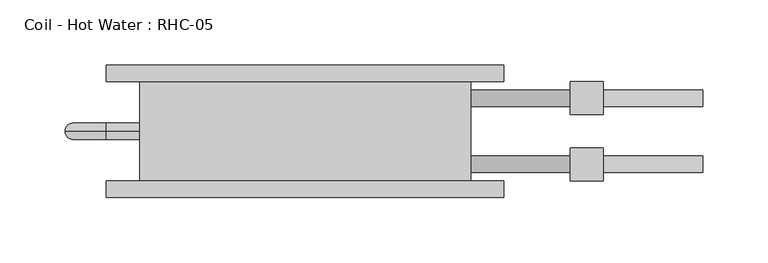
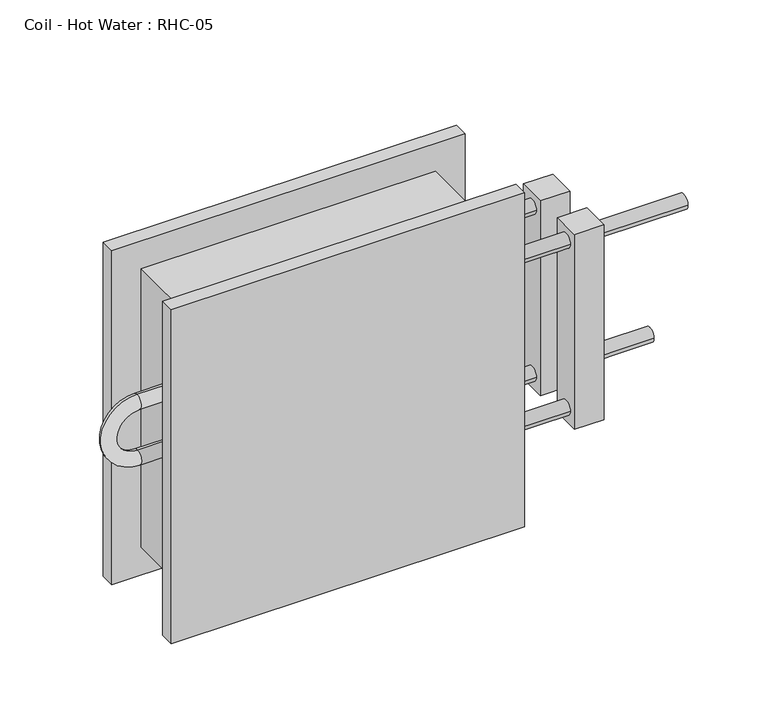
"""IFC4 building model written with IfcOpenShell, lengths in millimetres: proxy geometry, Coil - Hot Water : RHC-05."""

from ifc_helpers import new_model, si_unit, point, frame, origin, place, context, project, spatial, circle_curve, ellipse_curve, trimmed, source, transform, mapped, element, save
from ifc_brep_helpers import plane_surface, cylinder_surface, revolved_surface, advanced_brep


def coil_hot_water_rhc_05_f7ea6c1f(model_context):
    return source(origin(), model_context, "Body", "AdvancedBrep", [
        advanced_brep(
        [(-127.0, 76.2, 254.0), (-127.0, 0.0, 254.0), (127.0, 0.0, 254.0), (127.0, 76.2, 254.0), (127.0, 76.2, 0.0), (127.0, 0.0, 0.0), (-127.0, 0.0, 0.0), (-127.0, 76.2, 0.0), (-127.0, 38.1, 171.45), (-127.0, 38.1, 158.75), (-127.0, 38.1, 120.65), (-127.0, 38.1, 107.95), (127.0, 57.15, 203.2), (127.0, 69.85, 203.2), (127.0, 6.35, 50.8), (127.0, 19.05, 50.8), (127.0, 6.35, 203.2), (127.0, 19.05, 203.2), (127.0, 57.15, 50.8), (127.0, 69.85, 50.8), (152.4, 76.2, 279.4), (-152.4, 76.2, 279.4), (-152.4, 76.2, -25.4), (152.4, 76.2, -25.4), (152.4, 88.9, 279.4), (152.4, 88.9, -25.4), (-152.4, 88.9, -25.4), (-152.4, 88.9, 279.4), (304.8, 57.15, 50.8), (304.8, 69.85, 50.8), (304.8, 6.35, 203.2), (304.8, 19.05, 203.2), (228.6, 57.15, 50.8), (228.6, 69.85, 50.8), (228.6, 6.35, 203.2), (228.6, 19.05, 203.2), (152.4, -12.7, 279.4), (-152.4, -12.7, 279.4), (-152.4, -12.7, -25.4), (152.4, -12.7, -25.4), (152.4, 0.0, 279.4), (152.4, 0.0, -25.4), (-152.4, 0.0, -25.4), (-152.4, 0.0, 279.4), (-152.4, 38.1, 171.45), (-152.4, 38.1, 158.75), (-152.4, 38.1, 107.95), (-152.4, 38.1, 120.65), (203.2, 57.15, 203.2), (203.2, 69.85, 203.2), (203.2, 6.35, 50.8), (203.2, 19.05, 50.8), (203.2, 6.35, 203.2), (203.2, 19.05, 203.2), (203.2, 57.15, 50.8), (203.2, 69.85, 50.8), (228.6, 50.8, 215.9), (228.6, 50.8, 38.1), (228.6, 76.2, 38.1), (228.6, 76.2, 215.9), (228.6, 0.0, 215.9), (228.6, 0.0, 38.1), (228.6, 25.4, 38.1), (228.6, 25.4, 215.9), (203.2, 50.8, 215.9), (203.2, 76.2, 215.9), (203.2, 76.2, 38.1), (203.2, 50.8, 38.1), (203.2, 0.0, 215.9), (203.2, 25.4, 215.9), (203.2, 25.4, 38.1), (203.2, 0.0, 38.1)],
        [
            (0, 1),
            (1, 2),
            (2, 3),
            (3, 0),
            (4, 5),
            (5, 6),
            (6, 7),
            (7, 4),
            (0, 7),
            (6, 1),
            (8, 9, circle_curve(frame((-127.0, 38.1, 165.1), z_axis=(1.0, 0.0, 0.0), x_axis=(0.0, 0.0, -1.0)), 6.35)),
            (9, 8, circle_curve(frame((-127.0, 38.1, 165.1), z_axis=(1.0, 0.0, 0.0), x_axis=(0.0, 0.0, -1.0)), 6.35)),
            (10, 11, circle_curve(frame((-127.0, 38.1, 114.3), z_axis=(1.0, 0.0, 0.0), x_axis=(0.0, 0.0, 1.0)), 6.35)),
            (11, 10, circle_curve(frame((-127.0, 38.1, 114.3), z_axis=(1.0, 0.0, 0.0), x_axis=(0.0, 0.0, 1.0)), 6.35)),
            (2, 5),
            (4, 3),
            (12, 13, circle_curve(frame((127.0, 63.5, 203.2), z_axis=(-1.0, 0.0, 0.0), x_axis=(0.0, 1.0, 0.0)), 6.35)),
            (13, 12, circle_curve(frame((127.0, 63.5, 203.2), z_axis=(-1.0, 0.0, 0.0), x_axis=(0.0, 1.0, 0.0)), 6.35)),
            (14, 15, circle_curve(frame((127.0, 12.7, 50.8), z_axis=(-1.0, 0.0, 0.0), x_axis=(0.0, 1.0, 0.0)), 6.35)),
            (15, 14, circle_curve(frame((127.0, 12.7, 50.8), z_axis=(-1.0, 0.0, 0.0), x_axis=(0.0, 1.0, 0.0)), 6.35)),
            (16, 17, circle_curve(frame((127.0, 12.7, 203.2), z_axis=(-1.0, 0.0, 0.0), x_axis=(0.0, 1.0, 0.0)), 6.35)),
            (17, 16, circle_curve(frame((127.0, 12.7, 203.2), z_axis=(-1.0, 0.0, 0.0), x_axis=(0.0, 1.0, 0.0)), 6.35)),
            (18, 19, circle_curve(frame((127.0, 63.5, 50.8), z_axis=(-1.0, 0.0, 0.0), x_axis=(0.0, 1.0, 0.0)), 6.35)),
            (19, 18, circle_curve(frame((127.0, 63.5, 50.8), z_axis=(-1.0, 0.0, 0.0), x_axis=(0.0, 1.0, 0.0)), 6.35)),
            (20, 21),
            (21, 22),
            (22, 23),
            (23, 20),
            (24, 25),
            (25, 26),
            (26, 27),
            (27, 24),
            (20, 24),
            (27, 21),
            (26, 22),
            (25, 23),
            (28, 29, circle_curve(frame((304.8, 63.5, 50.8), z_axis=(1.0, 0.0, 0.0), x_axis=(0.0, 1.0, 0.0)), 6.35)),
            (29, 28, circle_curve(frame((304.8, 63.5, 50.8), z_axis=(1.0, 0.0, 0.0), x_axis=(0.0, 1.0, 0.0)), 6.35)),
            (30, 31, circle_curve(frame((304.8, 12.7, 203.2), z_axis=(1.0, 0.0, 0.0), x_axis=(0.0, 1.0, 0.0)), 6.35)),
            (31, 30, circle_curve(frame((304.8, 12.7, 203.2), z_axis=(1.0, 0.0, 0.0), x_axis=(0.0, 1.0, 0.0)), 6.35)),
            (28, 32),
            (32, 33, circle_curve(frame((228.6, 63.5, 50.8), z_axis=(1.0, 0.0, 0.0), x_axis=(0.0, 1.0, 0.0)), 6.35)),
            (33, 29),
            (33, 32, circle_curve(frame((228.6, 63.5, 50.8), z_axis=(1.0, 0.0, 0.0), x_axis=(0.0, 1.0, 0.0)), 6.35)),
            (30, 34),
            (34, 35, circle_curve(frame((228.6, 12.7, 203.2), z_axis=(1.0, 0.0, 0.0), x_axis=(0.0, 1.0, 0.0)), 6.35)),
            (35, 31),
            (35, 34, circle_curve(frame((228.6, 12.7, 203.2), z_axis=(1.0, 0.0, 0.0), x_axis=(0.0, 1.0, 0.0)), 6.35)),
            (36, 37),
            (37, 38),
            (38, 39),
            (39, 36),
            (40, 41),
            (41, 42),
            (42, 43),
            (43, 40),
            (36, 40),
            (43, 37),
            (42, 38),
            (41, 39),
            (8, 44),
            (44, 45, circle_curve(frame((-152.4, 38.1, 165.1), z_axis=(1.0, 0.0, 0.0), x_axis=(0.0, 0.0, -1.0)), 6.35)),
            (45, 9),
            (45, 44, circle_curve(frame((-152.4, 38.1, 165.1), z_axis=(1.0, 0.0, 0.0), x_axis=(0.0, 0.0, -1.0)), 6.35)),
            (44, 46, circle_curve(frame((-152.4, 38.1, 139.7), z_axis=(0.0, -1.0, 0.0), x_axis=(0.0, 0.0, 1.0)), 31.75)),
            (46, 47, circle_curve(frame((-152.4, 38.1, 114.3), z_axis=(-1.0, 0.0, 0.0), x_axis=(0.0, 0.0, 1.0)), 6.35)),
            (47, 45, circle_curve(frame((-152.4, 38.1, 139.7), z_axis=(0.0, 1.0, 0.0), x_axis=(0.0, 0.0, 1.0)), 19.05)),
            (47, 46, circle_curve(frame((-152.4, 38.1, 114.3), z_axis=(-1.0, 0.0, 0.0), x_axis=(0.0, 0.0, 1.0)), 6.35)),
            (46, 11),
            (10, 47),
            (12, 48),
            (48, 49, circle_curve(frame((203.2, 63.5, 203.2), z_axis=(-1.0, 0.0, 0.0), x_axis=(0.0, 1.0, 0.0)), 6.35)),
            (49, 13),
            (49, 48, circle_curve(frame((203.2, 63.5, 203.2), z_axis=(-1.0, 0.0, 0.0), x_axis=(0.0, 1.0, 0.0)), 6.35)),
            (14, 50),
            (50, 51, circle_curve(frame((203.2, 12.7, 50.8), z_axis=(-1.0, 0.0, 0.0), x_axis=(0.0, 1.0, 0.0)), 6.35)),
            (51, 15),
            (51, 50, circle_curve(frame((203.2, 12.7, 50.8), z_axis=(-1.0, 0.0, 0.0), x_axis=(0.0, 1.0, 0.0)), 6.35)),
            (16, 52),
            (52, 53, circle_curve(frame((203.2, 12.7, 203.2), z_axis=(-1.0, 0.0, 0.0), x_axis=(0.0, 1.0, 0.0)), 6.35)),
            (53, 17),
            (53, 52, circle_curve(frame((203.2, 12.7, 203.2), z_axis=(-1.0, 0.0, 0.0), x_axis=(0.0, 1.0, 0.0)), 6.35)),
            (18, 54),
            (54, 55, circle_curve(frame((203.2, 63.5, 50.8), z_axis=(-1.0, 0.0, 0.0), x_axis=(0.0, 1.0, 0.0)), 6.35)),
            (55, 19),
            (55, 54, circle_curve(frame((203.2, 63.5, 50.8), z_axis=(-1.0, 0.0, 0.0), x_axis=(0.0, 1.0, 0.0)), 6.35)),
            (56, 57),
            (57, 58),
            (58, 59),
            (59, 56),
            (60, 61),
            (61, 62),
            (62, 63),
            (63, 60),
            (64, 65),
            (65, 66),
            (66, 67),
            (67, 64),
            (68, 69),
            (69, 70),
            (70, 71),
            (71, 68),
            (56, 64),
            (67, 57),
            (66, 58),
            (65, 59),
            (60, 68),
            (71, 61),
            (70, 62),
            (69, 63),
        ],
        [
            plane_surface(frame((-127.0, 76.2, 254.0), z_axis=(0.0, 0.0, 1.0), x_axis=(-1.0, 0.0, 0.0))),
            plane_surface(frame((-127.0, 76.2, 0.0), z_axis=(0.0, 0.0, -1.0), x_axis=(1.0, 0.0, 0.0))),
            plane_surface(frame((-127.0, 76.2, 254.0), z_axis=(-1.0, 0.0, 0.0), x_axis=(0.0, 0.0, -1.0))),
            plane_surface(frame((127.0, 0.0, 254.0), z_axis=(1.0, 0.0, 0.0), x_axis=(0.0, 0.0, -1.0))),
            plane_surface(frame((-152.4, 76.2, 279.4), z_axis=(0.0, -1.0, 0.0), x_axis=(-1.0, 0.0, 0.0))),
            plane_surface(frame((-152.4, 88.9, 279.4), z_axis=(0.0, 1.0, 0.0), x_axis=(1.0, 0.0, 0.0))),
            plane_surface(frame((152.4, 76.2, 279.4), z_axis=(0.0, 0.0, 1.0), x_axis=(0.0, 1.0, 0.0))),
            plane_surface(frame((-152.4, 76.2, 279.4), z_axis=(-1.0, 0.0, 0.0), x_axis=(0.0, 1.0, 0.0))),
            plane_surface(frame((-152.4, 76.2, -25.4), z_axis=(0.0, 0.0, -1.0), x_axis=(0.0, 1.0, 0.0))),
            plane_surface(frame((152.4, 76.2, -25.4), z_axis=(1.0, 0.0, 0.0), x_axis=(0.0, 1.0, 0.0))),
            plane_surface(frame((304.8, 69.85, 50.8), z_axis=(1.0, 0.0, 0.0), x_axis=(0.0, 0.0, 1.0))),
            cylinder_surface(frame((228.6, 63.5, 50.8), z_axis=(1.0, 0.0, 0.0), x_axis=(0.0, 1.0, 0.0)), 6.35),
            cylinder_surface(frame((0.0, 12.7, 203.2), z_axis=(1.0, 0.0, 0.0), x_axis=(0.0, 1.0, 0.0)), 6.35),
            plane_surface(frame((-152.4, -12.7, 279.4), z_axis=(0.0, -1.0, 0.0), x_axis=(-1.0, 0.0, 0.0))),
            plane_surface(frame((-152.4, 0.0, 279.4), z_axis=(0.0, 1.0, 0.0), x_axis=(1.0, 0.0, 0.0))),
            plane_surface(frame((152.4, -12.7, 279.4), z_axis=(0.0, 0.0, 1.0), x_axis=(0.0, 1.0, 0.0))),
            plane_surface(frame((-152.4, -12.7, 279.4), z_axis=(-1.0, 0.0, 0.0), x_axis=(0.0, 1.0, 0.0))),
            plane_surface(frame((-152.4, -12.7, -25.4), z_axis=(0.0, 0.0, -1.0), x_axis=(0.0, 1.0, 0.0))),
            plane_surface(frame((152.4, -12.7, -25.4), z_axis=(1.0, 0.0, 0.0), x_axis=(0.0, 1.0, 0.0))),
            cylinder_surface(frame((-127.0, 38.1, 165.1), z_axis=(1.0, 0.0, 0.0), x_axis=(0.0, 0.0, -1.0)), 6.35),
            revolved_surface(trimmed(ellipse_curve(frame((-152.4, 38.1, 165.1), z_axis=(1.0, 0.0, 0.0), x_axis=(0.0, 0.0, -1.0)), 6.35, 6.35), [point((-152.4, 38.1, 171.45))], [point((-152.4, 38.1, 158.75))], True, "CARTESIAN"), (-152.4, 0.0, 139.7), (0.0, -1.0, 0.0)),
            revolved_surface(trimmed(ellipse_curve(frame((-152.4, 38.1, 165.1), z_axis=(1.0, 0.0, 0.0), x_axis=(0.0, 0.0, -1.0)), 6.35, 6.35), [point((-152.4, 38.1, 158.75))], [point((-152.4, 38.1, 171.45))], True, "CARTESIAN"), (-152.4, 0.0, 139.7), (0.0, -1.0, 0.0)),
            cylinder_surface(frame((-152.4, 38.1, 114.3), z_axis=(-1.0, 0.0, 0.0), x_axis=(0.0, 0.0, 1.0)), 6.35),
            cylinder_surface(frame((127.0, 63.5, 203.2), z_axis=(-1.0, 0.0, 0.0), x_axis=(0.0, 1.0, 0.0)), 6.35),
            cylinder_surface(frame((127.0, 12.7, 50.8), z_axis=(-1.0, 0.0, 0.0), x_axis=(0.0, 1.0, 0.0)), 6.35),
            cylinder_surface(frame((127.0, 12.7, 203.2), z_axis=(-1.0, 0.0, 0.0), x_axis=(0.0, 1.0, 0.0)), 6.35),
            cylinder_surface(frame((127.0, 63.5, 50.8), z_axis=(-1.0, 0.0, 0.0), x_axis=(0.0, 1.0, 0.0)), 6.35),
            plane_surface(frame((228.6, 50.8, 215.9), z_axis=(1.0, 0.0, 0.0), x_axis=(0.0, 0.0, -1.0))),
            plane_surface(frame((203.2, 50.8, 215.9), z_axis=(-1.0, 0.0, 0.0), x_axis=(0.0, 0.0, 1.0))),
            plane_surface(frame((228.6, 50.8, 215.9), z_axis=(0.0, -1.0, 0.0), x_axis=(-1.0, 0.0, 0.0))),
            plane_surface(frame((228.6, 50.8, 38.1), z_axis=(0.0, 0.0, -1.0), x_axis=(-1.0, 0.0, 0.0))),
            plane_surface(frame((228.6, 76.2, 38.1), z_axis=(0.0, 1.0, 0.0), x_axis=(-1.0, 0.0, 0.0))),
            plane_surface(frame((228.6, 76.2, 215.9), z_axis=(0.0, 0.0, 1.0), x_axis=(-1.0, 0.0, 0.0))),
            plane_surface(frame((228.6, 0.0, 215.9), z_axis=(0.0, -1.0, 0.0), x_axis=(-1.0, 0.0, 0.0))),
            plane_surface(frame((228.6, 0.0, 38.1), z_axis=(0.0, 0.0, -1.0), x_axis=(-1.0, 0.0, 0.0))),
            plane_surface(frame((228.6, 25.4, 38.1), z_axis=(0.0, 1.0, 0.0), x_axis=(-1.0, 0.0, 0.0))),
            plane_surface(frame((228.6, 25.4, 215.9), z_axis=(0.0, 0.0, 1.0), x_axis=(-1.0, 0.0, 0.0))),
        ],
        [
            (0, [[1, 2, 3, 4]]),
            (1, [[5, 6, 7, 8]]),
            (2, [[-1, 9, -7, 10], [11, 12], [13, 14]]),
            (3, [[-3, 15, -5, 16], [17, 18], [19, 20], [21, 22], [23, 24]]),
            (4, [[25, 26, 27, 28], [-4, -16, -8, -9]]),
            (5, [[29, 30, 31, 32]]),
            (6, [[-25, 33, -32, 34]]),
            (7, [[-26, -34, -31, 35]]),
            (8, [[-27, -35, -30, 36]]),
            (9, [[-28, -36, -29, -33]]),
            (10, [[37, 38]]),
            (10, [[39, 40]]),
            (11, [[-37, 41, 42, 43]]),
            (11, [[-38, -43, 44, -41]]),
            (12, [[-39, 45, 46, 47]]),
            (12, [[-40, -47, 48, -45]]),
            (13, [[49, 50, 51, 52]]),
            (14, [[53, 54, 55, 56], [-2, -10, -6, -15]]),
            (15, [[-49, 57, -56, 58]]),
            (16, [[-50, -58, -55, 59]]),
            (17, [[-51, -59, -54, 60]]),
            (18, [[-52, -60, -53, -57]]),
            (19, [[61, 62, 63, -11]]),
            (19, [[-61, -12, -63, 64]]),
            (20, [[-62, 65, 66, 67]]),
            (21, [[-64, -67, 68, -65]]),
            (22, [[-66, 69, -13, 70]]),
            (22, [[-68, -70, -14, -69]]),
            (23, [[71, 72, 73, -17]]),
            (23, [[-71, -18, -73, 74]]),
            (24, [[75, 76, 77, -19]]),
            (24, [[-75, -20, -77, 78]]),
            (25, [[79, 80, 81, -21]]),
            (25, [[-79, -22, -81, 82]]),
            (26, [[83, 84, 85, -23]]),
            (26, [[-83, -24, -85, 86]]),
            (27, [[87, 88, 89, 90], [-42, -44]]),
            (27, [[91, 92, 93, 94], [-46, -48]]),
            (28, [[95, 96, 97, 98], [-72, -74], [-84, -86]]),
            (28, [[99, 100, 101, 102], [-76, -78], [-80, -82]]),
            (29, [[-87, 103, -98, 104]]),
            (30, [[-88, -104, -97, 105]]),
            (31, [[-89, -105, -96, 106]]),
            (32, [[-90, -106, -95, -103]]),
            (33, [[-91, 107, -102, 108]]),
            (34, [[-92, -108, -101, 109]]),
            (35, [[-93, -109, -100, 110]]),
            (36, [[-94, -110, -99, -107]]),
        ],
    ),
    ])


if __name__ == "__main__":
    model = new_model("IFC4")
    model_context = context("Model", 3, world=origin())
    ifc_project = project(units=[si_unit("LENGTHUNIT", "METRE", prefix="MILLI")], contexts=[model_context])
    site = spatial("IfcSite", under=ifc_project)
    building = spatial("IfcBuilding", under=site)
    placement = place(None, origin())
    coil_hot_water_rhc_05_shape = coil_hot_water_rhc_05_f7ea6c1f(model_context)
    element("IfcBuildingElementProxy", 1, Name="Coil - Hot Water : RHC-05", ObjectType="Coil - Hot Water : RHC-05", at=placement, inside=building, context=model_context, shape_type="MappedRepresentation", body=[
        mapped(coil_hot_water_rhc_05_shape, transform((0.0, 0.0, 0.0), x_axis=(1.0, 0.0, 0.0), y_axis=(0.0, 1.0, 0.0), z_axis=(0.0, 0.0, 1.0))),
    ])
    save(model, "model.ifc")
